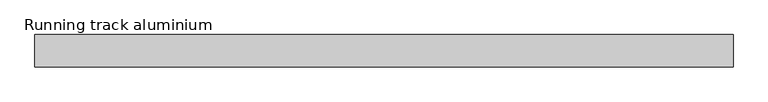
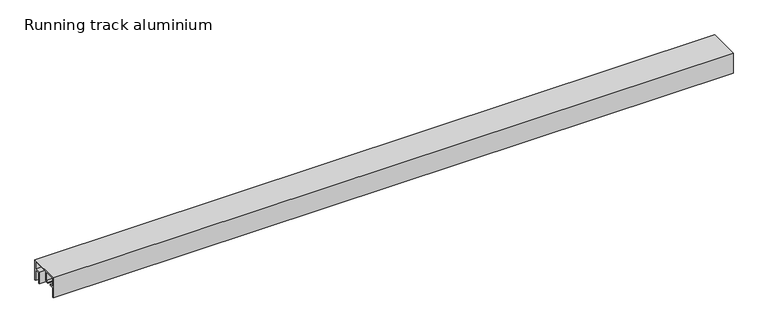
"""IFC4 building model written with IfcOpenShell, lengths in millimetres: proxy geometry, Running track aluminium."""

from ifc_helpers import new_model, si_unit, frame, origin, place, context, project, spatial, polyline, outline, extrude, source, transform, mapped, element, save


def running_track_aluminium_7a58d66d(model_context):
    return source(origin(), model_context, "Body", "SweptSolid", [
        extrude(outline(polyline([(52.15, 1842.0), (52.15, 1808.75), (44.8, 1808.75), (44.8, 1801.05), (32.0, 1801.05), (32.0, 1842.0), (52.15, 1842.0)])), frame((0.0, -38.5, 0.0), z_axis=(0.0, 1.0, 0.0), x_axis=(0.0, 0.0, 1.0)), (0.0, 0.0, 1.0), 29.0),
        extrude(outline(polyline([(1842.0, -36.5), (1801.05, -36.5), (1801.05, -11.468441), (1842.0, -11.468441), (1842.0, -36.5)])), frame((0.0, 0.0, 30.0), z_axis=(0.0, 0.0, 1.0), x_axis=(1.0, 0.0, 0.0)), (0.0, 0.0, 1.0), 2.0),
        extrude(outline(polyline([(53.96253, 1793.677645), (52.15, 1784.1605826), (53.96253, 1770.7314459), (51.9443954, 1770.7314459), (50.124477, 1784.2153231), (52.15, 1794.8507489), (52.15, 1842.0), (53.96253, 1842.0), (53.96253, 1793.677645)])), frame((0.0, -36.5, 0.0), z_axis=(0.0, 1.0, 0.0), x_axis=(0.0, 0.0, 1.0)), (0.0, 0.0, 1.0), 25.031559),
        extrude(outline(polyline([(-42.0, 58.0), (44.0, 58.0), (44.0, 0.0), (41.0, 0.0), (41.0, 30.0), (27.0, 30.0), (27.0, 0.0), (24.0, 0.0), (24.0, 33.0), (41.0, 33.0), (41.0, 55.0), (-6.0, 55.0), (-6.0, 30.0), (-6.0, 27.0), (-17.1, 27.0), (-17.1, 30.0), (-9.0, 30.0), (-9.0, 55.0), (-39.0, 55.0), (-39.0, 30.0), (-27.2, 30.0), (-27.2, 27.0), (-39.0, 27.0), (-39.0, 3.0), (-39.0, 0.0), (-42.0, 0.0), (-42.0, 58.0)])), frame((0.0, 0.0, 0.0), z_axis=(1.0, 0.0, 0.0), x_axis=(0.0, 1.0, 0.0)), (0.0, 0.0, 1.0), 1851.0),
    ])


if __name__ == "__main__":
    model = new_model("IFC4")
    model_context = context("Model", 3, world=origin())
    ifc_project = project(units=[si_unit("LENGTHUNIT", "METRE", prefix="MILLI")], contexts=[model_context])
    site = spatial("IfcSite", under=ifc_project)
    building = spatial("IfcBuilding", under=site)
    placement = place(None, origin())
    running_track_aluminium_shape = running_track_aluminium_7a58d66d(model_context)
    element("IfcBuildingElementProxy", 1, Name="Running track aluminium", ObjectType="Running track aluminium", at=placement, inside=building, context=model_context, shape_type="MappedRepresentation", body=[
        mapped(running_track_aluminium_shape, transform((0.0, 0.0, 0.0), x_axis=(1.0, 0.0, 0.0), y_axis=(0.0, 1.0, 0.0), z_axis=(0.0, 0.0, 1.0))),
    ])
    save(model, "model.ifc")
